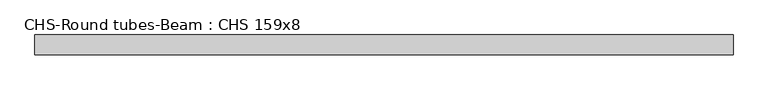
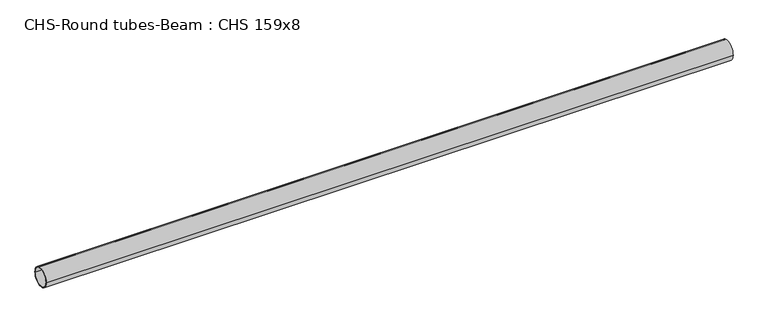
"""IFC4 building model written with IfcOpenShell, lengths in millimetres: beam geometry, CHS-Round tubes-Beam : CHS 159x8."""

from ifc_helpers import new_model, si_unit, point, frame, origin, origin_2d, place, context, project, spatial, circle_curve, trimmed, segment, composite_curve, outline, extrude, source, transform, mapped, element, save


def chs_round_tubes_beam_chs_159x8_748da809(model_context):
    return source(origin(), model_context, "Body", "SweptSolid", [
        extrude(outline(composite_curve([segment(trimmed(circle_curve(origin_2d(), 79.5), [point((79.5, 0.0))], [point((-79.5, 0.0))], False, "CARTESIAN"), True, "CONTINUOUS"), segment(trimmed(circle_curve(origin_2d(), 79.5), [point((-79.5, 0.0))], [point((79.5, 0.0))], False, "CARTESIAN"), True, "CONTINUOUS")], self_intersect=False), holes=[composite_curve([segment(trimmed(circle_curve(origin_2d(), 71.5), [point((71.5, 0.0))], [point((-71.5, 0.0))], True, "CARTESIAN"), True, "CONTINUOUS"), segment(trimmed(circle_curve(origin_2d(), 71.5), [point((-71.5, 0.0))], [point((71.5, 0.0))], True, "CARTESIAN"), True, "CONTINUOUS")], self_intersect=False)]), frame((-2810.0984058, 0.0, 0.0), z_axis=(1.0, 0.0, 0.0), x_axis=(0.0, 1.0, 0.0)), (0.0, 0.0, 1.0), 5615.0065949),
    ])


if __name__ == "__main__":
    model = new_model("IFC4")
    model_context = context("Model", 3, world=origin())
    ifc_project = project(units=[si_unit("LENGTHUNIT", "METRE", prefix="MILLI")], contexts=[model_context])
    site = spatial("IfcSite", under=ifc_project)
    building = spatial("IfcBuilding", under=site)
    placement = place(None, origin())
    chs_round_tubes_beam_chs_159x8_shape = chs_round_tubes_beam_chs_159x8_748da809(model_context)
    element("IfcBeam", 1, ObjectType="CHS-Round tubes-Beam : CHS 159x8", at=placement, inside=building, context=model_context, shape_type="MappedRepresentation", body=[
        mapped(chs_round_tubes_beam_chs_159x8_shape, transform((0.0, 0.0, 0.0), x_axis=(1.0, 0.0, 0.0), y_axis=(0.0, 1.0, 0.0), z_axis=(0.0, 0.0, 1.0))),
    ])
    save(model, "model.ifc")
